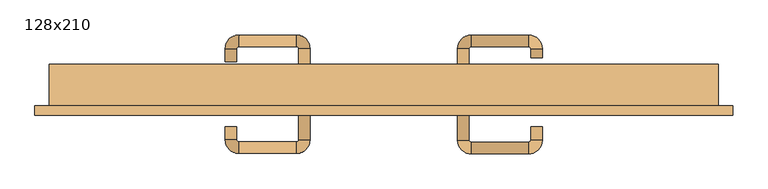
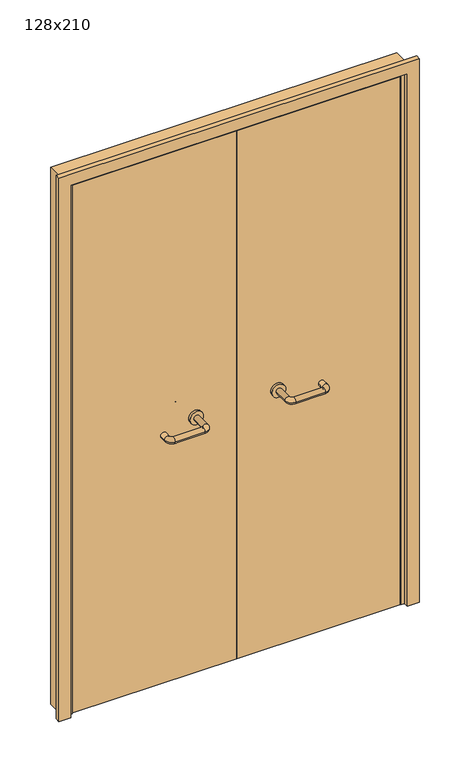
"""IFC4 building model written with IfcOpenShell, lengths in millimetres: door geometry, 128x210."""

from ifc_helpers import new_model, si_unit, point, frame, frame_2d, origin, place, context, project, spatial, polyline, circle_curve, ellipse_curve, trimmed, segment, composite_curve, outline, extrude, faceted_brep, source, transform, mapped, element, save
from ifc_brep_helpers import plane_surface, cylinder_surface, revolved_surface, advanced_brep


def door_128x210_5cfd2a0f(model_context):
    return source(origin(), model_context, "Body", "SolidModel", [
        faceted_brep([(-587.0, -93.0, 0.0), (-608.0, -93.0, 0.0), (-608.0, -60.0, 0.0), (-587.0, -60.0, 0.0), (-587.0, -60.0, 2047.0), (-587.0, -93.0, 2047.0), (-608.0, -60.0, 2068.0), (-608.0, -93.0, 2068.0), (587.0, -93.0, 0.0), (587.0, -60.0, 0.0), (608.0, -60.0, 0.0), (608.0, -93.0, 0.0), (587.0, -93.0, 2047.0), (608.0, -93.0, 2068.0), (608.0, -60.0, 2068.0), (587.0, -60.0, 2047.0)], [[[0, 1, 2, 3]], [[3, 4, 5, 0]], [[2, 6, 4, 3]], [[1, 7, 6, 2]], [[0, 5, 7, 1]], [[8, 9, 10, 11]], [[12, 8, 11, 13]], [[13, 11, 10, 14]], [[14, 10, 9, 15]], [[15, 9, 8, 12]], [[4, 15, 12, 5]], [[6, 14, 15, 4]], [[7, 13, 14, 6]], [[5, 12, 13, 7]]]),
        extrude(outline(polyline([(2127.0, 667.0), (2127.0, -667.0), (0.0, -667.0), (0.0, -623.0), (2083.0, -623.0), (2083.0, 623.0), (0.0, 623.0), (0.0, 667.0), (2127.0, 667.0)])), frame((0.0, -158.0, 0.0), z_axis=(0.0, 1.0, 0.0), x_axis=(0.0, 0.0, 1.0)), (0.0, 0.0, 1.0), 18.0),
        extrude(outline(polyline([(2100.0, -640.0), (0.0, -640.0), (0.0, -608.0), (2068.0, -608.0), (2068.0, 608.0), (0.0, 608.0), (0.0, 640.0), (2100.0, 640.0), (2100.0, -640.0)])), frame((0.0, -140.0, 0.0), z_axis=(0.0, 1.0, 0.0), x_axis=(0.0, 0.0, 1.0)), (0.0, 0.0, 1.0), 80.0),
        advanced_brep(
        [(140.99898, -86.0, 1003.0), (162.99898, -86.0, 1003.0), (162.99898, -30.6474631, 1003.0), (140.99898, -30.6474631, 1003.0), (166.99898, -26.6474631, 1003.0), (166.99898, -4.6474631, 1003.0), (276.99898, -26.6474631, 1003.0), (276.99898, -4.6474631, 1003.0), (280.99898, -30.6474631, 1003.0), (302.99898, -30.6474631, 1003.0), (302.99898, -48.0, 1003.0), (280.99898, -48.0, 1003.0)],
        [
            (0, 1, circle_curve(frame((151.99898, -86.0, 1003.0), z_axis=(0.0, -1.0, 0.0), x_axis=(1.0, 0.0, 0.0)), 11.0)),
            (1, 0, circle_curve(frame((151.99898, -86.0, 1003.0), z_axis=(0.0, -1.0, 0.0), x_axis=(1.0, 0.0, 0.0)), 11.0)),
            (1, 2),
            (2, 3, circle_curve(frame((151.99898, -30.6474631, 1003.0), z_axis=(0.0, -1.0, 0.0), x_axis=(1.0, 0.0, 0.0)), 11.0)),
            (3, 0),
            (3, 2, circle_curve(frame((151.99898, -30.6474631, 1003.0), z_axis=(0.0, -1.0, 0.0), x_axis=(1.0, 0.0, 0.0)), 11.0)),
            (4, 5, circle_curve(frame((166.99898, -15.6474631, 1003.0), z_axis=(-1.0, 0.0, 0.0), x_axis=(0.0, -1.0, 0.0)), 11.0)),
            (5, 3, circle_curve(frame((166.99898, -30.6474631, 1003.0), z_axis=(0.0, 0.0, 1.0), x_axis=(-1.0, 0.0, 0.0)), 26.0)),
            (2, 4, circle_curve(frame((166.99898, -30.6474631, 1003.0), z_axis=(0.0, 0.0, -1.0), x_axis=(-1.0, 0.0, 0.0)), 4.0)),
            (5, 4, circle_curve(frame((166.99898, -15.6474631, 1003.0), z_axis=(-1.0, 0.0, 0.0), x_axis=(0.0, -1.0, 0.0)), 11.0)),
            (4, 6),
            (6, 7, circle_curve(frame((276.99898, -15.6474631, 1003.0), z_axis=(-1.0, 0.0, 0.0), x_axis=(0.0, -1.0, 0.0)), 11.0)),
            (7, 5),
            (7, 6, circle_curve(frame((276.99898, -15.6474631, 1003.0), z_axis=(-1.0, 0.0, 0.0), x_axis=(0.0, -1.0, 0.0)), 11.0)),
            (8, 9, circle_curve(frame((291.99898, -30.6474631, 1003.0), z_axis=(0.0, 1.0, 0.0), x_axis=(-1.0, 0.0, 0.0)), 11.0)),
            (9, 7, circle_curve(frame((276.99898, -30.6474631, 1003.0), z_axis=(0.0, 0.0, 1.0), x_axis=(0.0, 1.0, 0.0)), 26.0)),
            (6, 8, circle_curve(frame((276.99898, -30.6474631, 1003.0), z_axis=(0.0, 0.0, -1.0), x_axis=(0.0, 1.0, 0.0)), 4.0)),
            (9, 8, circle_curve(frame((291.99898, -30.6474631, 1003.0), z_axis=(0.0, 1.0, 0.0), x_axis=(-1.0, 0.0, 0.0)), 11.0)),
            (10, 11, circle_curve(frame((291.99898, -48.0, 1003.0), z_axis=(0.0, -1.0, 0.0), x_axis=(-1.0, 0.0, 0.0)), 11.0)),
            (11, 10, circle_curve(frame((291.99898, -48.0, 1003.0), z_axis=(0.0, -1.0, 0.0), x_axis=(-1.0, 0.0, 0.0)), 11.0)),
            (8, 11),
            (10, 9),
        ],
        [
            plane_surface(frame((140.99898, -86.0, 1003.0), z_axis=(0.0, -1.0, 0.0), x_axis=(0.0, 0.0, -1.0))),
            cylinder_surface(frame((151.99898, -86.0, 1003.0), z_axis=(0.0, -1.0, 0.0), x_axis=(1.0, 0.0, 0.0)), 11.0),
            revolved_surface(trimmed(ellipse_curve(frame((151.99898, -30.6474631, 1003.0), z_axis=(0.0, 1.0, 0.0), x_axis=(1.0, 0.0, 0.0)), 11.0, 11.0), [point((140.99898, -30.6474631, 1003.0))], [point((162.99898, -30.6474631, 1003.0))], True, "CARTESIAN"), (166.99898, -30.6474631, 1003.0), (0.0, 0.0, 1.0)),
            revolved_surface(trimmed(ellipse_curve(frame((151.99898, -30.6474631, 1003.0), z_axis=(0.0, 1.0, 0.0), x_axis=(1.0, 0.0, 0.0)), 11.0, 11.0), [point((162.99898, -30.6474631, 1003.0))], [point((140.99898, -30.6474631, 1003.0))], True, "CARTESIAN"), (166.99898, -30.6474631, 1003.0), (0.0, 0.0, 1.0)),
            cylinder_surface(frame((166.99898, -15.6474631, 1003.0), z_axis=(-1.0, 0.0, 0.0), x_axis=(0.0, -1.0, 0.0)), 11.0),
            revolved_surface(trimmed(ellipse_curve(frame((276.99898, -15.6474631, 1003.0), z_axis=(1.0, 0.0, 0.0), x_axis=(0.0, -1.0, 0.0)), 11.0, 11.0), [point((276.99898, -4.6474631, 1003.0))], [point((276.99898, -26.6474631, 1003.0))], True, "CARTESIAN"), (276.99898, -30.6474631, 1003.0), (0.0, 0.0, 1.0)),
            revolved_surface(trimmed(ellipse_curve(frame((276.99898, -15.6474631, 1003.0), z_axis=(1.0, 0.0, 0.0), x_axis=(0.0, -1.0, 0.0)), 11.0, 11.0), [point((276.99898, -26.6474631, 1003.0))], [point((276.99898, -4.6474631, 1003.0))], True, "CARTESIAN"), (276.99898, -30.6474631, 1003.0), (0.0, 0.0, 1.0)),
            plane_surface(frame((280.99898, -48.0, 1003.0), z_axis=(0.0, -1.0, 0.0), x_axis=(0.0, 0.0, 1.0))),
            cylinder_surface(frame((291.99898, -30.6474631, 1003.0), z_axis=(0.0, 1.0, 0.0), x_axis=(-1.0, 0.0, 0.0)), 11.0),
        ],
        [
            (0, [[1, 2]]),
            (1, [[3, 4, 5, -2]]),
            (1, [[-5, 6, -3, -1]]),
            (2, [[7, 8, -4, 9]]),
            (3, [[10, -9, -6, -8]]),
            (4, [[11, 12, 13, -7]]),
            (4, [[-13, 14, -11, -10]]),
            (5, [[15, 16, -12, 17]]),
            (6, [[18, -17, -14, -16]]),
            (7, [[19, 20]]),
            (8, [[21, -19, 22, -15]]),
            (8, [[-22, -20, -21, -18]]),
        ],
    ),
        extrude(outline(composite_curve([segment(trimmed(circle_curve(frame_2d((1003.0, 151.99898)), 25.0), [point((1003.0, 126.99898))], [point((1003.0, 176.99898))], False, "CARTESIAN"), True, "CONTINUOUS"), segment(trimmed(circle_curve(frame_2d((1003.0, 151.99898)), 25.0), [point((1003.0, 176.99898))], [point((1003.0, 126.99898))], False, "CARTESIAN"), True, "CONTINUOUS")], self_intersect=False)), frame((0.0, -96.0, 0.0), z_axis=(0.0, 1.0, 0.0), x_axis=(0.0, 0.0, 1.0)), (0.0, 0.0, 1.0), 10.0),
        advanced_brep(
        [(162.99898, -150.0, 1003.0), (140.99898, -150.0, 1003.0), (140.99898, -205.0, 1003.0), (162.99898, -205.0, 1003.0), (166.99898, -231.0, 1003.0), (166.99898, -209.0, 1003.0), (276.99898, -231.0, 1003.0), (276.99898, -209.0, 1003.0), (302.99898, -205.0, 1003.0), (280.99898, -205.0, 1003.0), (280.99898, -180.0, 1003.0), (302.99898, -180.0, 1003.0)],
        [
            (0, 1, circle_curve(frame((151.99898, -150.0, 1003.0), z_axis=(0.0, 1.0, 0.0), x_axis=(-1.0, 0.0, 0.0)), 11.0)),
            (1, 0, circle_curve(frame((151.99898, -150.0, 1003.0), z_axis=(0.0, 1.0, 0.0), x_axis=(-1.0, 0.0, 0.0)), 11.0)),
            (1, 2),
            (2, 3, circle_curve(frame((151.99898, -205.0, 1003.0), z_axis=(0.0, 1.0, 0.0), x_axis=(-1.0, 0.0, 0.0)), 11.0)),
            (3, 0),
            (3, 2, circle_curve(frame((151.99898, -205.0, 1003.0), z_axis=(0.0, 1.0, 0.0), x_axis=(-1.0, 0.0, 0.0)), 11.0)),
            (4, 5, circle_curve(frame((166.99898, -220.0, 1003.0), z_axis=(-1.0, 0.0, 0.0), x_axis=(0.0, -1.0, 0.0)), 11.0)),
            (5, 3, circle_curve(frame((166.99898, -205.0, 1003.0), z_axis=(0.0, 0.0, -1.0), x_axis=(-1.0, 0.0, 0.0)), 4.0)),
            (2, 4, circle_curve(frame((166.99898, -205.0, 1003.0), z_axis=(0.0, 0.0, 1.0), x_axis=(-1.0, 0.0, 0.0)), 26.0)),
            (5, 4, circle_curve(frame((166.99898, -220.0, 1003.0), z_axis=(-1.0, 0.0, 0.0), x_axis=(0.0, -1.0, 0.0)), 11.0)),
            (4, 6),
            (6, 7, circle_curve(frame((276.99898, -220.0, 1003.0), z_axis=(-1.0, 0.0, 0.0), x_axis=(0.0, -1.0, 0.0)), 11.0)),
            (7, 5),
            (7, 6, circle_curve(frame((276.99898, -220.0, 1003.0), z_axis=(-1.0, 0.0, 0.0), x_axis=(0.0, -1.0, 0.0)), 11.0)),
            (8, 9, circle_curve(frame((291.99898, -205.0, 1003.0), z_axis=(0.0, -1.0, 0.0), x_axis=(1.0, 0.0, 0.0)), 11.0)),
            (9, 7, circle_curve(frame((276.99898, -205.0, 1003.0), z_axis=(0.0, 0.0, -1.0), x_axis=(0.0, -1.0, 0.0)), 4.0)),
            (6, 8, circle_curve(frame((276.99898, -205.0, 1003.0), z_axis=(0.0, 0.0, 1.0), x_axis=(0.0, -1.0, 0.0)), 26.0)),
            (9, 8, circle_curve(frame((291.99898, -205.0, 1003.0), z_axis=(0.0, -1.0, 0.0), x_axis=(1.0, 0.0, 0.0)), 11.0)),
            (10, 11, circle_curve(frame((291.99898, -180.0, 1003.0), z_axis=(0.0, 1.0, 0.0), x_axis=(1.0, 0.0, 0.0)), 11.0)),
            (11, 10, circle_curve(frame((291.99898, -180.0, 1003.0), z_axis=(0.0, 1.0, 0.0), x_axis=(1.0, 0.0, 0.0)), 11.0)),
            (8, 11),
            (10, 9),
        ],
        [
            plane_surface(frame((140.99898, -150.0, 1003.0), z_axis=(0.0, 1.0, 0.0), x_axis=(0.0, 0.0, 1.0))),
            cylinder_surface(frame((151.99898, -150.0, 1003.0), z_axis=(0.0, 1.0, 0.0), x_axis=(-1.0, 0.0, 0.0)), 11.0),
            revolved_surface(trimmed(ellipse_curve(frame((151.99898, -205.0, 1003.0), z_axis=(0.0, -1.0, 0.0), x_axis=(-1.0, 0.0, 0.0)), 11.0, 11.0), [point((162.99898, -205.0, 1003.0))], [point((140.99898, -205.0, 1003.0))], True, "CARTESIAN"), (166.99898, -205.0, 1003.0), (0.0, 0.0, -1.0)),
            revolved_surface(trimmed(ellipse_curve(frame((151.99898, -205.0, 1003.0), z_axis=(0.0, -1.0, 0.0), x_axis=(-1.0, 0.0, 0.0)), 11.0, 11.0), [point((140.99898, -205.0, 1003.0))], [point((162.99898, -205.0, 1003.0))], True, "CARTESIAN"), (166.99898, -205.0, 1003.0), (0.0, 0.0, -1.0)),
            cylinder_surface(frame((166.99898, -220.0, 1003.0), z_axis=(-1.0, 0.0, 0.0), x_axis=(0.0, -1.0, 0.0)), 11.0),
            revolved_surface(trimmed(ellipse_curve(frame((276.99898, -220.0, 1003.0), z_axis=(1.0, 0.0, 0.0), x_axis=(0.0, -1.0, 0.0)), 11.0, 11.0), [point((276.99898, -209.0, 1003.0))], [point((276.99898, -231.0, 1003.0))], True, "CARTESIAN"), (276.99898, -205.0, 1003.0), (0.0, 0.0, -1.0)),
            revolved_surface(trimmed(ellipse_curve(frame((276.99898, -220.0, 1003.0), z_axis=(1.0, 0.0, 0.0), x_axis=(0.0, -1.0, 0.0)), 11.0, 11.0), [point((276.99898, -231.0, 1003.0))], [point((276.99898, -209.0, 1003.0))], True, "CARTESIAN"), (276.99898, -205.0, 1003.0), (0.0, 0.0, -1.0)),
            plane_surface(frame((280.99898, -180.0, 1003.0), z_axis=(0.0, 1.0, 0.0), x_axis=(0.0, 0.0, -1.0))),
            cylinder_surface(frame((291.99898, -205.0, 1003.0), z_axis=(0.0, -1.0, 0.0), x_axis=(1.0, 0.0, 0.0)), 11.0),
        ],
        [
            (0, [[1, 2]]),
            (1, [[3, 4, 5, -2]]),
            (1, [[-5, 6, -3, -1]]),
            (2, [[7, 8, -4, 9]]),
            (3, [[10, -9, -6, -8]]),
            (4, [[11, 12, 13, -7]]),
            (4, [[-13, 14, -11, -10]]),
            (5, [[15, 16, -12, 17]]),
            (6, [[18, -17, -14, -16]]),
            (7, [[19, 20]]),
            (8, [[21, -19, 22, -15]]),
            (8, [[-22, -20, -21, -18]]),
        ],
    ),
        extrude(outline(composite_curve([segment(trimmed(circle_curve(frame_2d((1003.0, 151.99898)), 25.0), [point((1003.0, 176.99898))], [point((1003.0, 126.99898))], False, "CARTESIAN"), True, "CONTINUOUS"), segment(trimmed(circle_curve(frame_2d((1003.0, 151.99898)), 25.0), [point((1003.0, 126.99898))], [point((1003.0, 176.99898))], False, "CARTESIAN"), True, "CONTINUOUS")], self_intersect=False)), frame((0.0, -150.0, 0.0), z_axis=(0.0, 1.0, 0.0), x_axis=(0.0, 0.0, 1.0)), (0.0, 0.0, 1.0), 10.0),
        advanced_brep(
        [(-162.99898, -85.6886121, 1003.0), (-140.99898, -85.6886121, 1003.0), (-140.99898, -30.2779553, 1003.0), (-162.99898, -30.2779553, 1003.0), (-166.99898, -4.2779553, 1003.0), (-166.99898, -26.2779553, 1003.0), (-276.99898, -4.2779553, 1003.0), (-276.99898, -26.2779553, 1003.0), (-302.99898, -30.2779553, 1003.0), (-280.99898, -30.2779553, 1003.0), (-280.99898, -55.2779553, 1003.0), (-302.99898, -55.2779553, 1003.0)],
        [
            (0, 1, circle_curve(frame((-151.99898, -85.6886121, 1003.0), z_axis=(0.0, -1.0, 0.0), x_axis=(1.0, 0.0, 0.0)), 11.0)),
            (1, 0, circle_curve(frame((-151.99898, -85.6886121, 1003.0), z_axis=(0.0, -1.0, 0.0), x_axis=(1.0, 0.0, 0.0)), 11.0)),
            (1, 2),
            (2, 3, circle_curve(frame((-151.99898, -30.2779553, 1003.0), z_axis=(0.0, -1.0, 0.0), x_axis=(1.0, 0.0, 0.0)), 11.0)),
            (3, 0),
            (3, 2, circle_curve(frame((-151.99898, -30.2779553, 1003.0), z_axis=(0.0, -1.0, 0.0), x_axis=(1.0, 0.0, 0.0)), 11.0)),
            (4, 5, circle_curve(frame((-166.99898, -15.2779553, 1003.0), z_axis=(1.0, 0.0, 0.0), x_axis=(0.0, 1.0, 0.0)), 11.0)),
            (5, 3, circle_curve(frame((-166.99898, -30.2779553, 1003.0), z_axis=(0.0, 0.0, -1.0), x_axis=(1.0, 0.0, 0.0)), 4.0)),
            (2, 4, circle_curve(frame((-166.99898, -30.2779553, 1003.0), z_axis=(0.0, 0.0, 1.0), x_axis=(1.0, 0.0, 0.0)), 26.0)),
            (5, 4, circle_curve(frame((-166.99898, -15.2779553, 1003.0), z_axis=(1.0, 0.0, 0.0), x_axis=(0.0, 1.0, 0.0)), 11.0)),
            (4, 6),
            (6, 7, circle_curve(frame((-276.99898, -15.2779553, 1003.0), z_axis=(1.0, 0.0, 0.0), x_axis=(0.0, 1.0, 0.0)), 11.0)),
            (7, 5),
            (7, 6, circle_curve(frame((-276.99898, -15.2779553, 1003.0), z_axis=(1.0, 0.0, 0.0), x_axis=(0.0, 1.0, 0.0)), 11.0)),
            (8, 9, circle_curve(frame((-291.99898, -30.2779553, 1003.0), z_axis=(0.0, 1.0, 0.0), x_axis=(-1.0, 0.0, 0.0)), 11.0)),
            (9, 7, circle_curve(frame((-276.99898, -30.2779553, 1003.0), z_axis=(0.0, 0.0, -1.0), x_axis=(0.0, 1.0, 0.0)), 4.0)),
            (6, 8, circle_curve(frame((-276.99898, -30.2779553, 1003.0), z_axis=(0.0, 0.0, 1.0), x_axis=(0.0, 1.0, 0.0)), 26.0)),
            (9, 8, circle_curve(frame((-291.99898, -30.2779553, 1003.0), z_axis=(0.0, 1.0, 0.0), x_axis=(-1.0, 0.0, 0.0)), 11.0)),
            (10, 11, circle_curve(frame((-291.99898, -55.2779553, 1003.0), z_axis=(0.0, -1.0, 0.0), x_axis=(-1.0, 0.0, 0.0)), 11.0)),
            (11, 10, circle_curve(frame((-291.99898, -55.2779553, 1003.0), z_axis=(0.0, -1.0, 0.0), x_axis=(-1.0, 0.0, 0.0)), 11.0)),
            (8, 11),
            (10, 9),
        ],
        [
            plane_surface(frame((-162.99898, -85.6886121, 1003.0), z_axis=(0.0, -1.0, 0.0), x_axis=(0.0, 0.0, -1.0))),
            cylinder_surface(frame((-151.99898, -85.6886121, 1003.0), z_axis=(0.0, -1.0, 0.0), x_axis=(1.0, 0.0, 0.0)), 11.0),
            revolved_surface(trimmed(ellipse_curve(frame((-151.99898, -30.2779553, 1003.0), z_axis=(0.0, 1.0, 0.0), x_axis=(1.0, 0.0, 0.0)), 11.0, 11.0), [point((-162.99898, -30.2779553, 1003.0))], [point((-140.99898, -30.2779553, 1003.0))], True, "CARTESIAN"), (-166.99898, -30.2779553, 1003.0), (0.0, 0.0, -1.0)),
            revolved_surface(trimmed(ellipse_curve(frame((-151.99898, -30.2779553, 1003.0), z_axis=(0.0, 1.0, 0.0), x_axis=(1.0, 0.0, 0.0)), 11.0, 11.0), [point((-140.99898, -30.2779553, 1003.0))], [point((-162.99898, -30.2779553, 1003.0))], True, "CARTESIAN"), (-166.99898, -30.2779553, 1003.0), (0.0, 0.0, -1.0)),
            cylinder_surface(frame((-166.99898, -15.2779553, 1003.0), z_axis=(1.0, 0.0, 0.0), x_axis=(0.0, 1.0, 0.0)), 11.0),
            revolved_surface(trimmed(ellipse_curve(frame((-276.99898, -15.2779553, 1003.0), z_axis=(-1.0, 0.0, 0.0), x_axis=(0.0, 1.0, 0.0)), 11.0, 11.0), [point((-276.99898, -26.2779553, 1003.0))], [point((-276.99898, -4.2779553, 1003.0))], True, "CARTESIAN"), (-276.99898, -30.2779553, 1003.0), (0.0, 0.0, -1.0)),
            revolved_surface(trimmed(ellipse_curve(frame((-276.99898, -15.2779553, 1003.0), z_axis=(-1.0, 0.0, 0.0), x_axis=(0.0, 1.0, 0.0)), 11.0, 11.0), [point((-276.99898, -4.2779553, 1003.0))], [point((-276.99898, -26.2779553, 1003.0))], True, "CARTESIAN"), (-276.99898, -30.2779553, 1003.0), (0.0, 0.0, -1.0)),
            plane_surface(frame((-302.99898, -55.2779553, 1003.0), z_axis=(0.0, -1.0, 0.0), x_axis=(0.0, 0.0, 1.0))),
            cylinder_surface(frame((-291.99898, -30.2779553, 1003.0), z_axis=(0.0, 1.0, 0.0), x_axis=(-1.0, 0.0, 0.0)), 11.0),
        ],
        [
            (0, [[1, 2]]),
            (1, [[3, 4, 5, -2]]),
            (1, [[-5, 6, -3, -1]]),
            (2, [[7, 8, -4, 9]]),
            (3, [[10, -9, -6, -8]]),
            (4, [[11, 12, 13, -7]]),
            (4, [[-13, 14, -11, -10]]),
            (5, [[15, 16, -12, 17]]),
            (6, [[18, -17, -14, -16]]),
            (7, [[19, 20]]),
            (8, [[21, -19, 22, -15]]),
            (8, [[-22, -20, -21, -18]]),
        ],
    ),
        extrude(outline(composite_curve([segment(trimmed(circle_curve(frame_2d((1003.0, -151.99898)), 25.0), [point((1003.0, -176.99898))], [point((1003.0, -126.99898))], False, "CARTESIAN"), True, "CONTINUOUS"), segment(trimmed(circle_curve(frame_2d((1003.0, -151.99898)), 25.0), [point((1003.0, -126.99898))], [point((1003.0, -176.99898))], False, "CARTESIAN"), True, "CONTINUOUS")], self_intersect=False)), frame((0.0, -96.0, 0.0), z_axis=(0.0, 1.0, 0.0), x_axis=(0.0, 0.0, 1.0)), (0.0, 0.0, 1.0), 10.3113879),
        advanced_brep(
        [(-140.99898, -149.5143417, 1003.0), (-162.99898, -149.5143417, 1003.0), (-162.99898, -204.6104656, 1003.0), (-140.99898, -204.6104656, 1003.0), (-166.99898, -208.6104656, 1003.0), (-166.99898, -230.6104656, 1003.0), (-276.99898, -208.6104656, 1003.0), (-276.99898, -230.6104656, 1003.0), (-280.99898, -204.6104656, 1003.0), (-302.99898, -204.6104656, 1003.0), (-302.99898, -179.6104656, 1003.0), (-280.99898, -179.6104656, 1003.0)],
        [
            (0, 1, circle_curve(frame((-151.99898, -149.5143417, 1003.0), z_axis=(0.0, 1.0, 0.0), x_axis=(-1.0, 0.0, 0.0)), 11.0)),
            (1, 0, circle_curve(frame((-151.99898, -149.5143417, 1003.0), z_axis=(0.0, 1.0, 0.0), x_axis=(-1.0, 0.0, 0.0)), 11.0)),
            (1, 2),
            (2, 3, circle_curve(frame((-151.99898, -204.6104656, 1003.0), z_axis=(0.0, 1.0, 0.0), x_axis=(-1.0, 0.0, 0.0)), 11.0)),
            (3, 0),
            (3, 2, circle_curve(frame((-151.99898, -204.6104656, 1003.0), z_axis=(0.0, 1.0, 0.0), x_axis=(-1.0, 0.0, 0.0)), 11.0)),
            (4, 5, circle_curve(frame((-166.99898, -219.6104656, 1003.0), z_axis=(1.0, 0.0, 0.0), x_axis=(0.0, 1.0, 0.0)), 11.0)),
            (5, 3, circle_curve(frame((-166.99898, -204.6104656, 1003.0), z_axis=(0.0, 0.0, 1.0), x_axis=(1.0, 0.0, 0.0)), 26.0)),
            (2, 4, circle_curve(frame((-166.99898, -204.6104656, 1003.0), z_axis=(0.0, 0.0, -1.0), x_axis=(1.0, 0.0, 0.0)), 4.0)),
            (5, 4, circle_curve(frame((-166.99898, -219.6104656, 1003.0), z_axis=(1.0, 0.0, 0.0), x_axis=(0.0, 1.0, 0.0)), 11.0)),
            (4, 6),
            (6, 7, circle_curve(frame((-276.99898, -219.6104656, 1003.0), z_axis=(1.0, 0.0, 0.0), x_axis=(0.0, 1.0, 0.0)), 11.0)),
            (7, 5),
            (7, 6, circle_curve(frame((-276.99898, -219.6104656, 1003.0), z_axis=(1.0, 0.0, 0.0), x_axis=(0.0, 1.0, 0.0)), 11.0)),
            (8, 9, circle_curve(frame((-291.99898, -204.6104656, 1003.0), z_axis=(0.0, -1.0, 0.0), x_axis=(1.0, 0.0, 0.0)), 11.0)),
            (9, 7, circle_curve(frame((-276.99898, -204.6104656, 1003.0), z_axis=(0.0, 0.0, 1.0), x_axis=(0.0, -1.0, 0.0)), 26.0)),
            (6, 8, circle_curve(frame((-276.99898, -204.6104656, 1003.0), z_axis=(0.0, 0.0, -1.0), x_axis=(0.0, -1.0, 0.0)), 4.0)),
            (9, 8, circle_curve(frame((-291.99898, -204.6104656, 1003.0), z_axis=(0.0, -1.0, 0.0), x_axis=(1.0, 0.0, 0.0)), 11.0)),
            (10, 11, circle_curve(frame((-291.99898, -179.6104656, 1003.0), z_axis=(0.0, 1.0, 0.0), x_axis=(1.0, 0.0, 0.0)), 11.0)),
            (11, 10, circle_curve(frame((-291.99898, -179.6104656, 1003.0), z_axis=(0.0, 1.0, 0.0), x_axis=(1.0, 0.0, 0.0)), 11.0)),
            (8, 11),
            (10, 9),
        ],
        [
            plane_surface(frame((-162.99898, -149.5143417, 1003.0), z_axis=(0.0, 1.0, 0.0), x_axis=(0.0, 0.0, 1.0))),
            cylinder_surface(frame((-151.99898, -149.5143417, 1003.0), z_axis=(0.0, 1.0, 0.0), x_axis=(-1.0, 0.0, 0.0)), 11.0),
            revolved_surface(trimmed(ellipse_curve(frame((-151.99898, -204.6104656, 1003.0), z_axis=(0.0, -1.0, 0.0), x_axis=(-1.0, 0.0, 0.0)), 11.0, 11.0), [point((-140.99898, -204.6104656, 1003.0))], [point((-162.99898, -204.6104656, 1003.0))], True, "CARTESIAN"), (-166.99898, -204.6104656, 1003.0), (0.0, 0.0, 1.0)),
            revolved_surface(trimmed(ellipse_curve(frame((-151.99898, -204.6104656, 1003.0), z_axis=(0.0, -1.0, 0.0), x_axis=(-1.0, 0.0, 0.0)), 11.0, 11.0), [point((-162.99898, -204.6104656, 1003.0))], [point((-140.99898, -204.6104656, 1003.0))], True, "CARTESIAN"), (-166.99898, -204.6104656, 1003.0), (0.0, 0.0, 1.0)),
            cylinder_surface(frame((-166.99898, -219.6104656, 1003.0), z_axis=(1.0, 0.0, 0.0), x_axis=(0.0, 1.0, 0.0)), 11.0),
            revolved_surface(trimmed(ellipse_curve(frame((-276.99898, -219.6104656, 1003.0), z_axis=(-1.0, 0.0, 0.0), x_axis=(0.0, 1.0, 0.0)), 11.0, 11.0), [point((-276.99898, -230.6104656, 1003.0))], [point((-276.99898, -208.6104656, 1003.0))], True, "CARTESIAN"), (-276.99898, -204.6104656, 1003.0), (0.0, 0.0, 1.0)),
            revolved_surface(trimmed(ellipse_curve(frame((-276.99898, -219.6104656, 1003.0), z_axis=(-1.0, 0.0, 0.0), x_axis=(0.0, 1.0, 0.0)), 11.0, 11.0), [point((-276.99898, -208.6104656, 1003.0))], [point((-276.99898, -230.6104656, 1003.0))], True, "CARTESIAN"), (-276.99898, -204.6104656, 1003.0), (0.0, 0.0, 1.0)),
            plane_surface(frame((-302.99898, -179.6104656, 1003.0), z_axis=(0.0, 1.0, 0.0), x_axis=(0.0, 0.0, -1.0))),
            cylinder_surface(frame((-291.99898, -204.6104656, 1003.0), z_axis=(0.0, -1.0, 0.0), x_axis=(1.0, 0.0, 0.0)), 11.0),
        ],
        [
            (0, [[1, 2]]),
            (1, [[3, 4, 5, -2]]),
            (1, [[-5, 6, -3, -1]]),
            (2, [[7, 8, -4, 9]]),
            (3, [[10, -9, -6, -8]]),
            (4, [[11, 12, 13, -7]]),
            (4, [[-13, 14, -11, -10]]),
            (5, [[15, 16, -12, 17]]),
            (6, [[18, -17, -14, -16]]),
            (7, [[19, 20]]),
            (8, [[21, -19, 22, -15]]),
            (8, [[-22, -20, -21, -18]]),
        ],
    ),
        extrude(outline(composite_curve([segment(trimmed(circle_curve(frame_2d((1003.0, -151.99898)), 25.0), [point((1003.0, -126.99898))], [point((1003.0, -176.99898))], False, "CARTESIAN"), True, "CONTINUOUS"), segment(trimmed(circle_curve(frame_2d((1003.0, -151.99898)), 25.0), [point((1003.0, -176.99898))], [point((1003.0, -126.99898))], False, "CARTESIAN"), True, "CONTINUOUS")], self_intersect=False)), frame((0.0, -149.5143417, 0.0), z_axis=(0.0, 1.0, 0.0), x_axis=(0.0, 0.0, 1.0)), (0.0, 0.0, 1.0), 9.5143417),
        extrude(outline(polyline([(1.0739506, -96.0), (1.0739506, -140.0), (-605.0, -140.0), (-605.0, -96.0), (1.0739506, -96.0)])), frame((0.0, 0.0, 1.753223), z_axis=(0.0, 0.0, 1.0), x_axis=(1.0, 0.0, 0.0)), (0.0, 0.0, 1.0), 2066.246777),
        extrude(outline(polyline([(605.0, -96.0), (605.0, -140.0), (1.0739506, -140.0), (1.0739506, -96.0), (605.0, -96.0)])), frame((0.0, 0.0, 1.753223), z_axis=(0.0, 0.0, 1.0), x_axis=(1.0, 0.0, 0.0)), (0.0, 0.0, 1.0), 2066.246777),
    ])


if __name__ == "__main__":
    model = new_model("IFC4")
    model_context = context("Model", 3, world=origin())
    ifc_project = project(units=[si_unit("LENGTHUNIT", "METRE", prefix="MILLI")], contexts=[model_context])
    site = spatial("IfcSite", under=ifc_project)
    building = spatial("IfcBuilding", under=site)
    placement = place(None, origin())
    door_128x210_shape = door_128x210_5cfd2a0f(model_context)
    element("IfcDoor", 1, ObjectType="128x210", at=placement, inside=building, context=model_context, shape_type="MappedRepresentation", body=[
        mapped(door_128x210_shape, transform((0.0, 0.0, 0.0), x_axis=(1.0, 0.0, 0.0), y_axis=(0.0, 1.0, 0.0), z_axis=(0.0, 0.0, 1.0))),
    ])
    save(model, "model.ifc")
